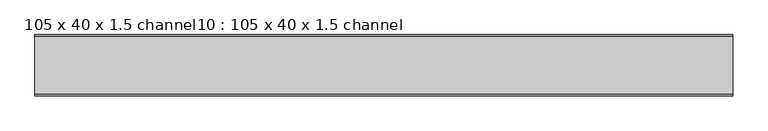
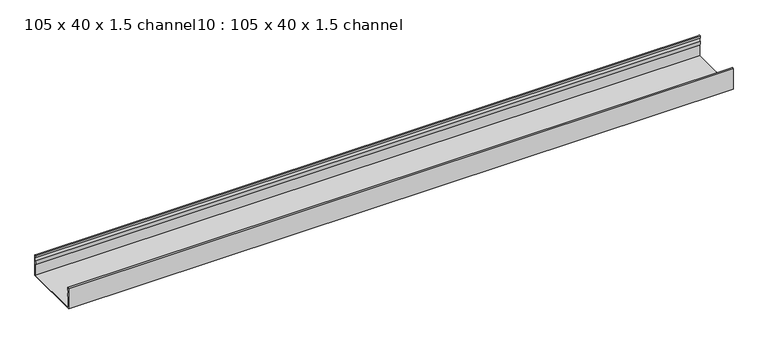
"""IFC4 building model written with IfcOpenShell, lengths in millimetres: proxy geometry, 105 x 40 x 1.5 channel10 : 105 x 40 x 1.5 channel."""

from ifc_helpers import new_model, si_unit, point, frame, frame_2d, origin, place, context, project, spatial, polyline, circle_curve, trimmed, segment, composite_curve, outline, extrude, source, transform, mapped, element, save


def proxy_105_x_40_x_1_5_channel10_105_x_40_x_1_5_channel_e21f96bd(model_context):
    return source(origin(), model_context, "Body", "SweptSolid", [
        extrude(outline(composite_curve([segment(trimmed(circle_curve(frame_2d((-28347.5343538, 32.0)), 10.0), [point((-28337.9590458, 29.1166898))], [point((-28337.9590458, 34.8833102))], True, "CARTESIAN"), True, "CONTINUOUS"), segment(polyline([(-28337.9590458, 34.8833102), (-28338.5343538, 38.8)]), True, "CONTINUOUS"), segment(trimmed(circle_curve(frame_2d((-28337.3343538, 38.8)), 1.2), [point((-28338.5343538, 38.8))], [point((-28336.1343538, 38.8))], False, "CARTESIAN"), True, "CONTINUOUS"), segment(polyline([(-28336.1343538, 38.8), (-28336.1343538, 0.0), (-28441.4343538, 0.0), (-28441.4343538, 38.8)]), True, "CONTINUOUS"), segment(trimmed(circle_curve(frame_2d((-28440.2343538, 38.8)), 1.2), [point((-28441.4343538, 38.8))], [point((-28439.0343538, 38.8))], False, "CARTESIAN"), True, "CONTINUOUS"), segment(polyline([(-28439.0343538, 38.8), (-28439.6096617, 34.8833102)]), True, "CONTINUOUS"), segment(trimmed(circle_curve(frame_2d((-28430.0343538, 32.0)), 10.0), [point((-28439.6096617, 34.8833102))], [point((-28439.6096617, 29.1166898))], True, "CARTESIAN"), True, "CONTINUOUS"), segment(trimmed(circle_curve(frame_2d((-28449.0343538, 25.77376)), 10.0), [point((-28439.6096617, 29.1166898))], [point((-28440.0343538, 21.4148611))], False, "CARTESIAN"), True, "CONTINUOUS"), segment(polyline([(-28440.0343538, 21.4148611), (-28440.0343538, 1.4), (-28337.5343538, 1.4), (-28337.5343538, 21.4148611)]), True, "CONTINUOUS"), segment(trimmed(circle_curve(frame_2d((-28328.5343538, 25.77376)), 10.0), [point((-28337.5343538, 21.4148611))], [point((-28337.9590458, 29.1166898))], False, "CARTESIAN"), True, "CONTINUOUS")], self_intersect=False)), frame((3256.2644406, 0.0, 0.0), z_axis=(1.0, 0.0, 0.0), x_axis=(0.0, 1.0, 0.0)), (0.0, 0.0, 1.0), 1200.1845315),
    ])


if __name__ == "__main__":
    model = new_model("IFC4")
    model_context = context("Model", 3, world=origin())
    ifc_project = project(units=[si_unit("LENGTHUNIT", "METRE", prefix="MILLI")], contexts=[model_context])
    site = spatial("IfcSite", under=ifc_project)
    building = spatial("IfcBuilding", under=site)
    placement = place(None, origin())
    proxy_105_x_40_x_1_5_channel10_105_x_40_x_1_5_channel_shape = proxy_105_x_40_x_1_5_channel10_105_x_40_x_1_5_channel_e21f96bd(model_context)
    element("IfcBuildingElementProxy", 1, Name="105 x 40 x 1.5 channel10 : 105 x 40 x 1.5 channel", ObjectType="105 x 40 x 1.5 channel10 : 105 x 40 x 1.5 channel", at=placement, inside=building, context=model_context, shape_type="MappedRepresentation", body=[
        mapped(proxy_105_x_40_x_1_5_channel10_105_x_40_x_1_5_channel_shape, transform((0.0, 0.0, 0.0), x_axis=(1.0, 0.0, 0.0), y_axis=(0.0, 1.0, 0.0), z_axis=(0.0, 0.0, 1.0))),
    ])
    save(model, "model.ifc")
